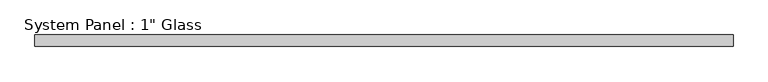
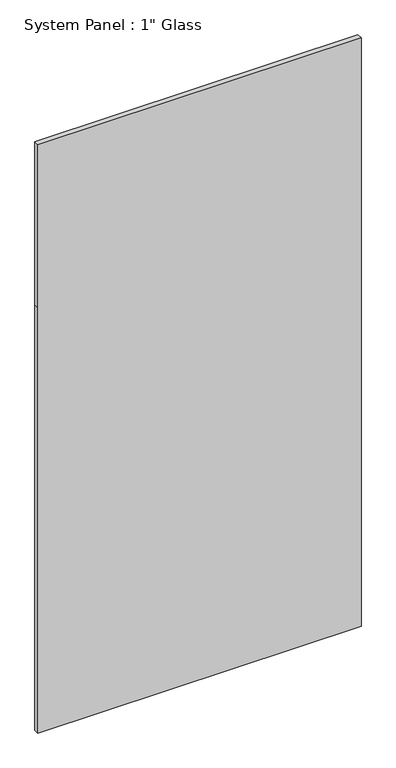
"""IFC4 building model written with IfcOpenShell, lengths in millimetres: plate geometry."""

from ifc_helpers import new_model, si_unit, frame, origin, place, context, project, spatial, polyline, outline, extrude, source, transform, mapped, element, save


def plate_ac2e4ed7(model_context):
    return source(origin(), model_context, "Body", "SweptSolid", [
        extrude(outline(polyline([(0.0, -768.7841185), (0.0, 768.7841185), (2139.95, 768.7841185), (2959.1, 768.7841185), (2959.1, -768.7841185), (2139.95, -768.7841185), (0.0, -768.7841185)])), frame((0.0, -12.7, 0.0), z_axis=(0.0, 1.0, 0.0), x_axis=(0.0, 0.0, 1.0)), (0.0, 0.0, 1.0), 25.4),
    ])


if __name__ == "__main__":
    model = new_model("IFC4")
    model_context = context("Model", 3, world=origin())
    ifc_project = project(units=[si_unit("LENGTHUNIT", "METRE", prefix="MILLI")], contexts=[model_context])
    site = spatial("IfcSite", under=ifc_project)
    building = spatial("IfcBuilding", under=site)
    placement = place(None, origin())
    plate_shape = plate_ac2e4ed7(model_context)
    element("IfcPlate", 1, ObjectType="System Panel : 1\" Glass", at=placement, inside=building, context=model_context, shape_type="MappedRepresentation", body=[
        mapped(plate_shape, transform((0.0, 0.0, 0.0), x_axis=(1.0, 0.0, 0.0), y_axis=(0.0, 1.0, 0.0), z_axis=(0.0, 0.0, 1.0))),
    ])
    save(model, "model.ifc")
